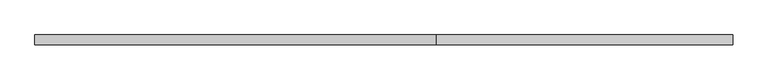
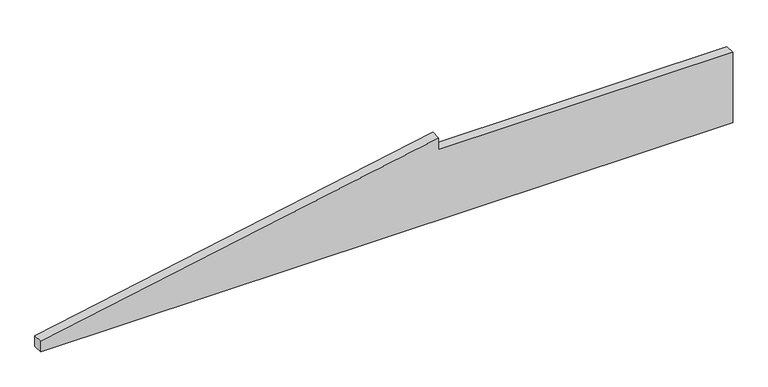
"""IFC4 building model written with IfcOpenShell, lengths in millimetres: plate geometry."""

from ifc_helpers import new_model, si_unit, frame, origin, place, context, project, spatial, polyline, outline, extrude, source, transform, mapped, element, save


def plate_d6990bc7(model_context):
    return source(origin(), model_context, "Body", "SweptSolid", [
        extrude(outline(polyline([(0.0, -695.6618351), (0.0, 695.6618351), (150.0, 695.6618351), (150.0, 104.2842467), (175.0, 104.2842467), (21.9668365, -695.6618351), (0.0, -695.6618351)])), frame((0.0, 20.0, 0.0), z_axis=(0.0, 1.0, 0.0), x_axis=(0.0, 0.0, 1.0)), (0.0, 0.0, 1.0), 20.0),
    ])


if __name__ == "__main__":
    model = new_model("IFC4")
    model_context = context("Model", 3, world=origin())
    ifc_project = project(units=[si_unit("LENGTHUNIT", "METRE", prefix="MILLI")], contexts=[model_context])
    site = spatial("IfcSite", under=ifc_project)
    building = spatial("IfcBuilding", under=site)
    placement = place(None, origin())
    plate_shape = plate_d6990bc7(model_context)
    element("IfcPlate", 1, at=placement, inside=building, context=model_context, shape_type="MappedRepresentation", body=[
        mapped(plate_shape, transform((0.0, 0.0, 0.0), x_axis=(1.0, 0.0, 0.0), y_axis=(0.0, 1.0, 0.0), z_axis=(0.0, 0.0, 1.0))),
    ])
    save(model, "model.ifc")
